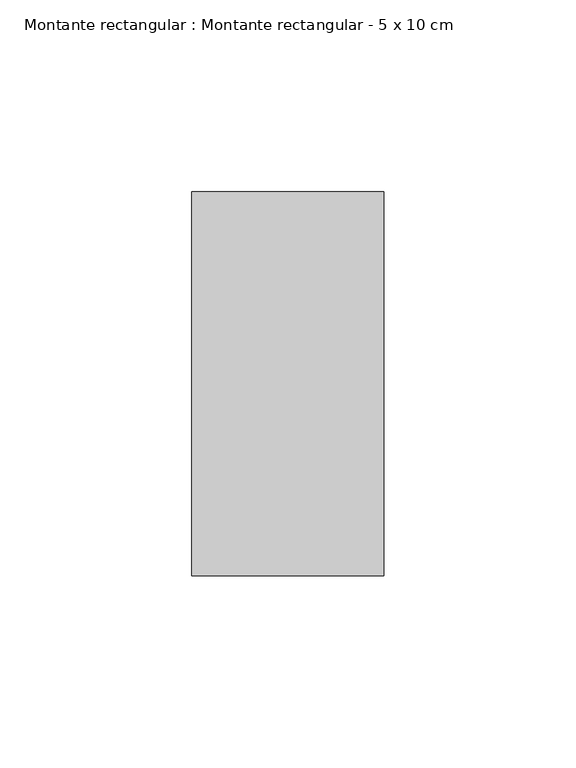
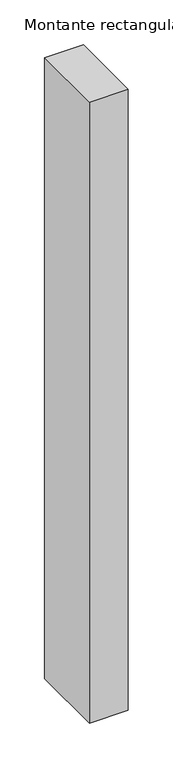
"""IFC4 building model written with IfcOpenShell, lengths in millimetres: member geometry, Montante rectangular : Montante rectangular - 5 x 10 cm."""

from ifc_helpers import new_model, si_unit, frame, origin, place, context, project, spatial, polyline, outline, extrude, source, transform, mapped, element, save


def montante_rectangular_montante_rectangular_5_x_10_cm_1cb3a93f(model_context):
    return source(origin(), model_context, "Body", "SweptSolid", [
        extrude(outline(polyline([(0.0, -50.0), (-50.0, -50.0), (-50.0, 50.0), (0.0, 50.0), (0.0, -50.0)])), frame((0.0, 0.0, -847.0), z_axis=(0.0, 0.0, 1.0), x_axis=(1.0, 0.0, 0.0)), (0.0, 0.0, 1.0), 847.0),
    ])


if __name__ == "__main__":
    model = new_model("IFC4")
    model_context = context("Model", 3, world=origin())
    ifc_project = project(units=[si_unit("LENGTHUNIT", "METRE", prefix="MILLI")], contexts=[model_context])
    site = spatial("IfcSite", under=ifc_project)
    building = spatial("IfcBuilding", under=site)
    placement = place(None, origin())
    montante_rectangular_montante_rectangular_5_x_10_cm_shape = montante_rectangular_montante_rectangular_5_x_10_cm_1cb3a93f(model_context)
    element("IfcMember", 1, ObjectType="Montante rectangular : Montante rectangular - 5 x 10 cm", at=placement, inside=building, context=model_context, shape_type="MappedRepresentation", body=[
        mapped(montante_rectangular_montante_rectangular_5_x_10_cm_shape, transform((0.0, 0.0, 0.0), x_axis=(1.0, 0.0, 0.0), y_axis=(0.0, 1.0, 0.0), z_axis=(0.0, 0.0, 1.0))),
    ])
    save(model, "model.ifc")
